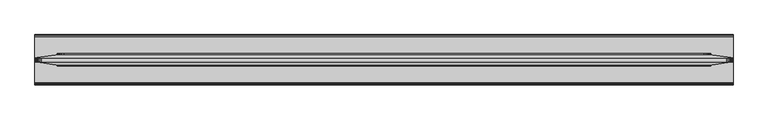
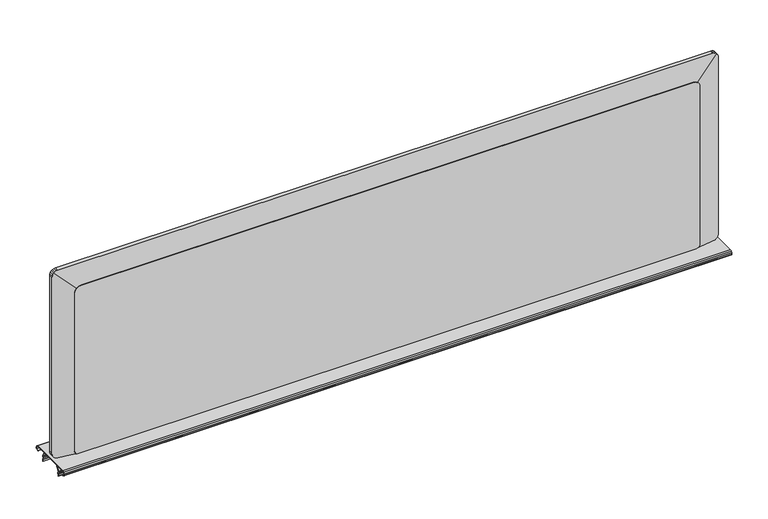
"""IFC4 building model written with IfcOpenShell, lengths in millimetres: furniture geometry."""

from ifc_helpers import new_model, si_unit, point, frame, frame_2d, origin, place, context, project, spatial, polyline, circle_curve, trimmed, segment, composite_curve, outline, extrude, faceted_brep, source, transform, mapped, element, save


def furniture_b6c4114b(model_context):
    return source(origin(), model_context, "Body", "SolidModel", [
        extrude(outline(composite_curve([segment(trimmed(circle_curve(frame_2d((-75.1928863, 721.9857415)), 2.430138), [point((-76.6170666, 720.0166602))], [point((-77.2846954, 723.222635))], False, "CARTESIAN"), True, "CONTINUOUS"), segment(polyline([(-77.2846954, 723.222635), (-76.0762752, 725.2662905)]), True, "CONTINUOUS"), segment(trimmed(circle_curve(frame_2d((-74.0187119, 724.0496466)), 2.3903534), [point((-76.0762752, 725.2662905))], [point((-74.0187119, 726.44))], False, "CARTESIAN"), True, "CONTINUOUS"), segment(polyline([(-74.0187119, 726.44), (-4.2648863, 726.44)]), True, "CONTINUOUS"), segment(trimmed(circle_curve(frame_2d((-4.2648863, 724.0496466)), 2.3903534), [point((-4.2648863, 726.44))], [point((-2.207323, 725.2662905))], False, "CARTESIAN"), True, "CONTINUOUS"), segment(polyline([(-2.207323, 725.2662905), (-0.9989028, 723.222635)]), True, "CONTINUOUS"), segment(trimmed(circle_curve(frame_2d((-3.0907119, 721.9857415)), 2.430138), [point((-0.9989028, 723.222635))], [point((-1.6665316, 720.0166602))], False, "CARTESIAN"), True, "CONTINUOUS"), segment(polyline([(-1.6665316, 720.0166602), (-4.4860224, 717.9774031), (-4.9474775, 718.615414), (-2.1279867, 720.6546711)]), True, "CONTINUOUS"), segment(trimmed(circle_curve(frame_2d((-3.0907119, 721.9857415)), 1.642738), [point((-2.1279867, 720.6546711))], [point((-1.6766793, 722.8218636))], True, "CARTESIAN"), True, "CONTINUOUS"), segment(polyline([(-1.6766793, 722.8218636), (-2.8850995, 724.8655191)]), True, "CONTINUOUS"), segment(trimmed(circle_curve(frame_2d((-4.2648863, 724.0496466)), 1.6029534), [point((-2.8850995, 724.8655191))], [point((-4.2648863, 725.6526))], True, "CARTESIAN"), True, "CONTINUOUS"), segment(polyline([(-4.2648863, 725.6526), (-74.0187119, 725.6526)]), True, "CONTINUOUS"), segment(trimmed(circle_curve(frame_2d((-74.0187119, 724.0496466)), 1.6029534), [point((-74.0187119, 725.6526))], [point((-75.3984987, 724.8655191))], True, "CARTESIAN"), True, "CONTINUOUS"), segment(polyline([(-75.3984987, 724.8655191), (-76.6069189, 722.8218636)]), True, "CONTINUOUS"), segment(trimmed(circle_curve(frame_2d((-75.1928863, 721.9857415)), 1.642738), [point((-76.6069189, 722.8218636))], [point((-76.1556115, 720.6546711))], True, "CARTESIAN"), True, "CONTINUOUS"), segment(polyline([(-76.1556115, 720.6546711), (-73.3361207, 718.615414), (-73.7975758, 717.9774031), (-76.6170666, 720.0166602)]), True, "CONTINUOUS")], self_intersect=False)), frame((0.9128077, 0.0, 0.0), z_axis=(1.0, 0.0, 0.0), x_axis=(0.0, 1.0, 0.0)), (0.0, 0.0, 1.0), 1064.9743847),
        extrude(outline(composite_curve([segment(polyline([(-56.0461627, 725.6526), (-55.1072956, 725.6526), (-60.3912441, 717.5160387)]), True, "CONTINUOUS"), segment(trimmed(circle_curve(frame_2d((-59.5056044, 716.9408971)), 1.0560045), [point((-60.3912441, 717.5160387))], [point((-60.3859585, 716.3576971))], True, "CARTESIAN"), True, "CONTINUOUS"), segment(polyline([(-60.3859585, 716.3576971), (-59.3045938, 714.7253517)]), True, "CONTINUOUS"), segment(trimmed(circle_curve(frame_2d((-60.7484403, 713.7688601)), 1.7319264), [point((-59.3045938, 714.7253517))], [point((-59.5749626, 712.4950787))], False, "CARTESIAN"), True, "CONTINUOUS"), segment(polyline([(-59.5749626, 712.4950787), (-60.3183145, 711.8102619)]), True, "CONTINUOUS"), segment(trimmed(circle_curve(frame_2d((-59.7283038, 711.1698197)), 0.8707921), [point((-60.3183145, 711.8102619))], [point((-60.5065655, 710.779195))], True, "CARTESIAN"), True, "CONTINUOUS"), segment(polyline([(-60.5065655, 710.779195), (-59.6251222, 709.0230501), (-60.328853, 708.6698339), (-61.2102963, 710.4259788)]), True, "CONTINUOUS"), segment(trimmed(circle_curve(frame_2d((-59.7283038, 711.1698197)), 1.6581921), [point((-61.2102963, 710.4259788))], [point((-60.8518224, 712.3893717))], False, "CARTESIAN"), True, "CONTINUOUS"), segment(polyline([(-60.8518224, 712.3893717), (-60.1084705, 713.0741884)]), True, "CONTINUOUS"), segment(trimmed(circle_curve(frame_2d((-60.7484403, 713.7688601)), 0.9445264), [point((-60.1084705, 713.0741884))], [point((-59.9610216, 714.290494))], True, "CARTESIAN"), True, "CONTINUOUS"), segment(polyline([(-59.9610216, 714.290494), (-61.0423863, 715.9228394)]), True, "CONTINUOUS"), segment(trimmed(circle_curve(frame_2d((-59.5056044, 716.9408971)), 1.8434045), [point((-61.0423863, 715.9228394))], [point((-61.0516132, 717.9448877))], False, "CARTESIAN"), True, "CONTINUOUS"), segment(polyline([(-61.0516132, 717.9448877), (-56.0461627, 725.6526)]), True, "CONTINUOUS")], self_intersect=False)), frame((1.6764, 0.0, 0.0), z_axis=(1.0, 0.0, 0.0), x_axis=(0.0, 1.0, 0.0)), (0.0, 0.0, 1.0), 1063.4472),
        extrude(outline(composite_curve([segment(polyline([(-22.2374355, 725.6526), (-17.231985, 717.9448877)]), True, "CONTINUOUS"), segment(trimmed(circle_curve(frame_2d((-18.7779938, 716.9408971)), 1.8434045), [point((-17.231985, 717.9448877))], [point((-17.2412119, 715.9228394))], False, "CARTESIAN"), True, "CONTINUOUS"), segment(polyline([(-17.2412119, 715.9228394), (-18.3225766, 714.290494)]), True, "CONTINUOUS"), segment(trimmed(circle_curve(frame_2d((-17.5351579, 713.7688601)), 0.9445264), [point((-18.3225766, 714.290494))], [point((-18.1751277, 713.0741884))], True, "CARTESIAN"), True, "CONTINUOUS"), segment(polyline([(-18.1751277, 713.0741884), (-17.4317758, 712.3893717)]), True, "CONTINUOUS"), segment(trimmed(circle_curve(frame_2d((-18.5552944, 711.1698197)), 1.6581921), [point((-17.4317758, 712.3893717))], [point((-17.0733019, 710.4259788))], False, "CARTESIAN"), True, "CONTINUOUS"), segment(polyline([(-17.0733019, 710.4259788), (-17.9547452, 708.6698339), (-18.658476, 709.0230501), (-17.7770327, 710.779195)]), True, "CONTINUOUS"), segment(trimmed(circle_curve(frame_2d((-18.5552944, 711.1698197)), 0.8707921), [point((-17.7770327, 710.779195))], [point((-17.9652837, 711.8102619))], True, "CARTESIAN"), True, "CONTINUOUS"), segment(polyline([(-17.9652837, 711.8102619), (-18.7086356, 712.4950787)]), True, "CONTINUOUS"), segment(trimmed(circle_curve(frame_2d((-17.5351579, 713.7688601)), 1.7319264), [point((-18.7086356, 712.4950787))], [point((-18.9790044, 714.7253517))], False, "CARTESIAN"), True, "CONTINUOUS"), segment(polyline([(-18.9790044, 714.7253517), (-17.8976397, 716.3576971)]), True, "CONTINUOUS"), segment(trimmed(circle_curve(frame_2d((-18.7779938, 716.9408971)), 1.0560045), [point((-17.8976397, 716.3576971))], [point((-17.8923541, 717.5160387))], True, "CARTESIAN"), True, "CONTINUOUS"), segment(polyline([(-17.8923541, 717.5160387), (-23.1763025, 725.6526), (-22.2374355, 725.6526)]), True, "CONTINUOUS")], self_intersect=False)), frame((1.6764, 0.0, 0.0), z_axis=(1.0, 0.0, 0.0), x_axis=(0.0, 1.0, 0.0)), (0.0, 0.0, 1.0), 1063.4472),
        faceted_brep([(1028.7706046, -31.0258914, 726.44), (1028.7706046, -31.0258914, 1005.7842273), (1062.210999, -35.7256324, 1039.2246217), (1063.6505813, -35.9279525, 1037.3708416), (1064.6654782, -36.0705869, 1035.0451115), (1065.129602, -36.1358153, 1032.4311867), (1065.129602, -36.1358153, 736.1522143), (1064.6654782, -36.0705869, 733.5382895), (1063.6505813, -35.9279525, 731.2125594), (1062.1657155, -35.7192682, 729.3004668), (1060.57837, -35.4961813, 728.019295), (1058.1892336, -35.1604101, 726.93128), (1055.5816683, -34.7939407, 726.44), (1028.7706046, -47.5358914, 1005.7842273), (1028.7706046, -47.5358914, 726.44), (1055.5816683, -43.5773568, 726.44), (1058.1892336, -43.1923614, 726.93128), (1060.57837, -42.839616, 728.019295), (1062.1657155, -42.6052515, 729.3004668), (1063.6505813, -42.3860176, 731.2125594), (1064.6654782, -42.2361726, 733.5382895), (1065.129602, -42.1676468, 736.1522143), (1065.129602, -42.1676468, 1032.4311867), (1064.6654782, -42.2361726, 1035.0451115), (1063.6505813, -42.3860176, 1037.3708416), (1062.210999, -42.5985656, 1039.2246217), (38.0293954, -31.0258914, 1005.7842273), (38.0293954, -31.0258914, 726.4593375), (11.2802637, -34.7852367, 726.4593375), (8.6107664, -35.1604101, 726.9622859), (6.22163, -35.4961813, 728.0503009), (4.6342845, -35.7192682, 729.3314727), (3.1494187, -35.9279525, 731.2435652), (2.1345218, -36.0705869, 733.5692954), (1.670398, -36.1358153, 736.1832202), (1.670398, -36.1358153, 1032.4311867), (2.1345218, -36.0705869, 1035.0451115), (3.1494187, -35.9279525, 1037.3708416), (4.589001, -35.7256324, 1039.2246217), (38.0293954, -47.5358914, 726.4593375), (38.0293954, -47.5358914, 1005.7842273), (4.589001, -42.5985656, 1039.2246217), (3.1494187, -42.3860176, 1037.3708416), (2.1345218, -42.2361726, 1035.0451115), (1.670398, -42.1676468, 1032.4311867), (1.670398, -42.1676468, 736.1832202), (2.1345218, -42.2361726, 733.5692954), (3.1494187, -42.3860176, 731.2435652), (4.6342845, -42.6052515, 729.3314727), (6.22163, -42.839616, 728.0503009), (8.6107664, -43.1923614, 726.9622859), (11.2802637, -43.5865008, 726.4593375), (6.22163, -35.9138846, 1040.564106), (8.6107664, -36.0667951, 1041.652121), (11.2173961, -36.1358153, 1042.1432247), (1055.5826039, -36.1358153, 1042.1432247), (1058.1892336, -36.0667951, 1041.652121), (1060.57837, -35.9138846, 1040.564106), (1060.57837, -42.4007967, 1040.564106), (1058.1892336, -42.2401561, 1041.652121), (1055.5826039, -42.1676468, 1042.1432247), (11.2173961, -42.1676468, 1042.1432247), (8.6107664, -42.2401561, 1041.652121), (6.22163, -42.4007967, 1040.564106)], [[[0, 1, 2, 3, 4, 5, 6, 7, 8, 9, 10, 11, 12]], [[13, 14, 15, 16, 17, 18, 19, 20, 21, 22, 23, 24, 25]], [[26, 27, 28, 29, 30, 31, 32, 33, 34, 35, 36, 37, 38]], [[39, 40, 41, 42, 43, 44, 45, 46, 47, 48, 49, 50, 51]], [[1, 26, 38, 52, 53, 54, 55, 56, 57, 2]], [[40, 13, 25, 58, 59, 60, 61, 62, 63, 41]], [[1, 0, 14, 13]], [[39, 27, 26, 40]], [[26, 1, 13, 40]], [[33, 46, 45, 34]], [[46, 33, 32, 47]], [[47, 32, 31, 48]], [[48, 31, 30, 49]], [[49, 30, 29, 50]], [[50, 29, 28, 51]], [[27, 39, 51, 28]], [[14, 0, 12, 15]], [[34, 45, 44, 35]], [[54, 61, 60, 55]], [[21, 6, 5, 22]], [[20, 7, 6, 21]], [[7, 20, 19, 8]], [[8, 19, 18, 9]], [[9, 18, 17, 10]], [[10, 17, 16, 11]], [[11, 16, 15, 12]], [[43, 36, 35, 44]], [[36, 43, 42, 37]], [[41, 38, 37, 42]], [[38, 41, 63, 52]], [[52, 63, 62, 53]], [[53, 62, 61, 54]], [[4, 23, 22, 5]], [[23, 4, 3, 24]], [[2, 25, 24, 3]], [[25, 2, 57, 58]], [[58, 57, 56, 59]], [[59, 56, 55, 60]]]),
        extrude(outline(composite_curve([segment(polyline([(1008.5089743, 1021.3013514), (1008.5089743, 45.4986486), (1007.8229293, 41.8573286), (1006.7348416, 39.4681922), (1005.4536698, 37.8808467), (1003.5415772, 36.3959812), (1001.2159198, 35.3810842), (998.5587236, 34.9949365), (731.2154514, 34.9949365)]), True, "CONTINUOUS"), segment(trimmed(circle_curve(frame_2d((731.2154514, 39.7510504)), 4.7561139), [point((731.2154514, 34.9949365))], [point((726.4593375, 39.7510504))], False, "CARTESIAN"), True, "CONTINUOUS"), segment(polyline([(726.4593375, 39.7510504), (726.4593375, 1024.01858)]), True, "CONTINUOUS"), segment(trimmed(circle_curve(frame_2d((734.245821, 1024.01858)), 7.7864835), [point((726.4593375, 1024.01858))], [point((734.245821, 1031.8050635))], False, "CARTESIAN"), True, "CONTINUOUS"), segment(polyline([(734.245821, 1031.8050635), (998.5587236, 1031.8050635), (1001.2159198, 1031.4189158), (1003.5415772, 1030.4040188), (1005.4536698, 1028.9191533), (1006.7348416, 1027.3318078), (1007.8229293, 1024.9426714), (1008.5089743, 1021.3013514)]), True, "CONTINUOUS")], self_intersect=False)), frame((0.0, -48.8058914, 0.0), z_axis=(0.0, 1.0, 0.0), x_axis=(0.0, 0.0, 1.0)), (0.0, 0.0, 1.0), 19.05),
    ])


if __name__ == "__main__":
    model = new_model("IFC4")
    model_context = context("Model", 3, world=origin())
    ifc_project = project(units=[si_unit("LENGTHUNIT", "METRE", prefix="MILLI")], contexts=[model_context])
    site = spatial("IfcSite", under=ifc_project)
    building = spatial("IfcBuilding", under=site)
    placement = place(None, origin())
    furniture_shape = furniture_b6c4114b(model_context)
    element("IfcFurniture", 1, at=placement, inside=building, context=model_context, shape_type="MappedRepresentation", body=[
        mapped(furniture_shape, transform((0.0, 0.0, 0.0), x_axis=(1.0, 0.0, 0.0), y_axis=(0.0, 1.0, 0.0), z_axis=(0.0, 0.0, 1.0))),
    ])
    save(model, "model.ifc")
